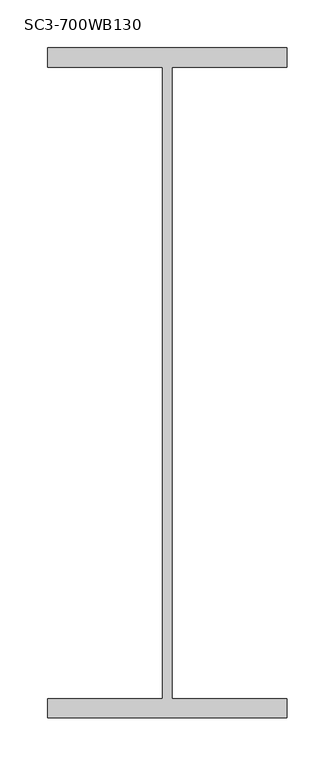
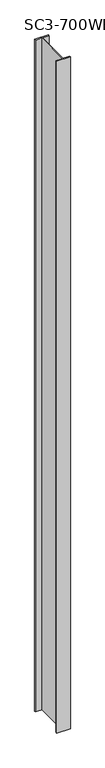
"""IFC4 building model written with IfcOpenShell, lengths in millimetres: column geometry, SC3-700WB130."""

from ifc_helpers import new_model, si_unit, frame, origin, place, context, project, spatial, polyline, outline, extrude, source, transform, mapped, element, save


def sc3_700wb130_cf865ba2(model_context):
    return source(origin(), model_context, "Body", "SweptSolid", [
        extrude(outline(polyline([(125.0, 350.0), (125.0, 330.0), (5.0, 330.0), (5.0, -330.0), (125.0, -330.0), (125.0, -350.0), (-125.0, -350.0), (-125.0, -330.0), (-5.0, -330.0), (-5.0, 330.0), (-125.0, 330.0), (-125.0, 350.0), (125.0, 350.0)])), frame((0.0, 0.0, 45550.0), z_axis=(0.0, 0.0, 1.0), x_axis=(1.0, 0.0, 0.0)), (0.0, 0.0, 1.0), 13037.494903),
    ])


if __name__ == "__main__":
    model = new_model("IFC4")
    model_context = context("Model", 3, world=origin())
    ifc_project = project(units=[si_unit("LENGTHUNIT", "METRE", prefix="MILLI")], contexts=[model_context])
    site = spatial("IfcSite", under=ifc_project)
    building = spatial("IfcBuilding", under=site)
    placement = place(None, origin())
    sc3_700wb130_shape = sc3_700wb130_cf865ba2(model_context)
    element("IfcColumn", 1, ObjectType="SC3-700WB130", at=placement, inside=building, context=model_context, shape_type="MappedRepresentation", body=[
        mapped(sc3_700wb130_shape, transform((0.0, 0.0, 0.0), x_axis=(1.0, 0.0, 0.0), y_axis=(0.0, 1.0, 0.0), z_axis=(0.0, 0.0, 1.0))),
    ])
    save(model, "model.ifc")
